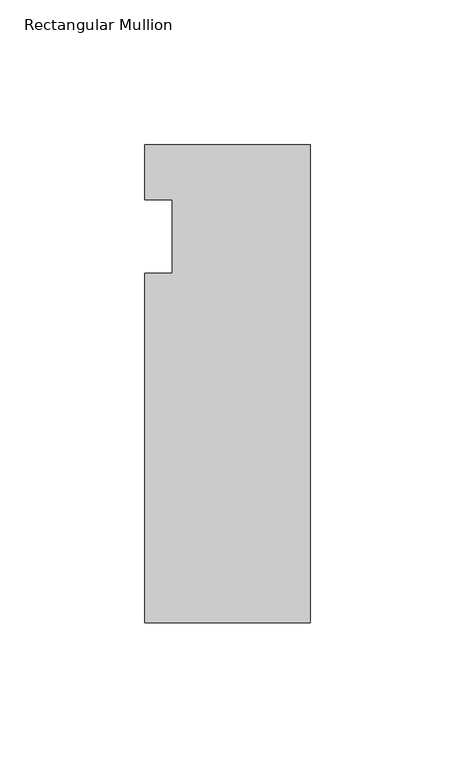
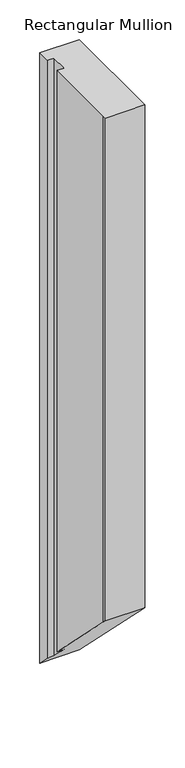
"""IFC4 building model written with IfcOpenShell, lengths in millimetres: member geometry, Rectangular Mullion."""

import ifcopenshell
import ifcopenshell.guid

model = None  # the IFC model being written
_history = None  # IfcOwnerHistory: only IFC2X3 demands one
_inside = {}  # id of a spatial element -> (the spatial element, [elements in it])
_under = {}  # id of a project, library or spatial element -> (it, [spatial elements below it])
_declared = {}  # id of a project -> (the project, [libraries it declares])
_typed = {}  # id of a type object -> (the type object, [elements of that type])
_made_of = {}  # id of a material, layer set ... -> (it, [elements and type objects made of it])


def new_model(schema):
    """Start an empty IFC model of exactly this schema.

    Asked for "IFC4X3", IfcOpenShell would pick the latest addendum, in which some entities
    have other attributes; the version numbers below select the first issue.
    IFC2X3 requires an IfcOwnerHistory on every rooted entity: one is made here for all.
    """
    global model, _history
    if schema == "IFC4X3":
        model = ifcopenshell.file(schema_version=(4, 3, 0, 0))
    else:
        model = ifcopenshell.file(schema=schema)
    _inside.clear()
    _under.clear()
    _declared.clear()
    _typed.clear()
    _made_of.clear()
    _history = None
    if model.schema == "IFC2X3":
        org = make("IfcOrganization", Name="unknown")
        user = make(
            "IfcPersonAndOrganization",
            ThePerson=make("IfcPerson", FamilyName="unknown"),
            TheOrganization=org,
        )
        app = make(
            "IfcApplication",
            ApplicationDeveloper=org,
            Version="unknown",
            ApplicationFullName="unknown",
            ApplicationIdentifier="unknown",
        )
        _history = make(
            "IfcOwnerHistory",
            OwningUser=user,
            OwningApplication=app,
            ChangeAction="ADDED",
            CreationDate=0,
        )
    return model


def make(cls, **values):
    """One entity of the class cls with the attributes given. An attribute that is None is left unset."""
    return model.create_entity(
        cls, **{name: value for name, value in values.items() if value is not None}
    )


def rooted(cls, **values):
    """An entity with a GlobalId (a new one), such as an element, a storey or a relation."""
    return make(cls, GlobalId=ifcopenshell.guid.new(), OwnerHistory=_history, **values)


def si_unit(unit_type, name, prefix=None):
    """IfcSIUnit, for example si_unit("LENGTHUNIT", "METRE", prefix="MILLI")."""
    return make("IfcSIUnit", UnitType=unit_type, Prefix=prefix, Name=name)


def assignment(units):
    """IfcUnitAssignment: the units of a project."""
    return None if units is None else make("IfcUnitAssignment", Units=units)


def point(xyz):
    """IfcCartesianPoint."""
    return None if xyz is None else make("IfcCartesianPoint", Coordinates=xyz)


def direction(xyz):
    """IfcDirection."""
    return None if xyz is None else make("IfcDirection", DirectionRatios=xyz)


def frame(location, z_axis=None, x_axis=None):
    """IfcAxis2Placement3D, a coordinate frame: its origin and axes. An axis left out is left unset."""
    return make(
        "IfcAxis2Placement3D",
        Location=point(location),
        Axis=direction(z_axis),
        RefDirection=direction(x_axis),
    )


def origin():
    """The frame at (0, 0, 0) with its axes left unset."""
    return frame((0.0, 0.0, 0.0))


def place(relative_to, where):
    """IfcLocalPlacement: puts the frame where relative to a parent placement (None: the world)."""
    return make(
        "IfcLocalPlacement", PlacementRelTo=relative_to, RelativePlacement=where
    )


def context(
    kind, dimensions, precision=None, world=None, true_north=None, identifier=None
):
    """IfcGeometricRepresentationContext, for example the 3D "Model" context."""
    return make(
        "IfcGeometricRepresentationContext",
        ContextIdentifier=identifier,
        ContextType=kind,
        CoordinateSpaceDimension=dimensions,
        Precision=precision,
        WorldCoordinateSystem=world,
        TrueNorth=true_north,
    )


def project(units=None, contexts=None):
    """IfcProject with its units and contexts."""
    return rooted(
        "IfcProject",
        Name="project",
        RepresentationContexts=contexts,
        UnitsInContext=assignment(units),
    )


def spatial(cls, under=None, at=None, **own):
    """A site, building, storey or space (cls), placed at a placement, below another one or the project."""
    s = rooted(cls, ObjectPlacement=at, **own)
    if under is not None:
        _under.setdefault(under.id(), (under, []))[1].append(s)
    return s


def faces_of(points, faces, orient=None, outer=None):
    """IfcFace entities. A face is a list of loops; a loop is a list of indices into points, from 0.

    orient and outer hold one flag for each loop. By default every Orientation is true, the
    first loop of a face is its IfcFaceOuterBound and the others are IfcFaceBound.
    """
    made = []
    for i, loops in enumerate(faces):
        bounds = []
        for j, loop in enumerate(loops):
            is_outer = j == 0 if outer is None else outer[i][j]
            bounds.append(
                make(
                    "IfcFaceOuterBound" if is_outer else "IfcFaceBound",
                    Bound=make("IfcPolyLoop", Polygon=[points[k] for k in loop]),
                    Orientation=True if orient is None else orient[i][j],
                )
            )
        made.append(make("IfcFace", Bounds=bounds))
    return made


def faceted_brep(points, faces, orient=None, outer=None, voids=None):
    """IfcFacetedBrep: a solid bounded by flat faces; with voids (closed shells), ...WithVoids."""
    shared = [point(p) for p in points]
    hull = make("IfcClosedShell", CfsFaces=faces_of(shared, faces, orient, outer))
    if voids is None:
        return make("IfcFacetedBrep", Outer=hull)
    return make(
        "IfcFacetedBrepWithVoids",
        Outer=hull,
        Voids=[
            make(cls, CfsFaces=faces_of(shared, fs, o, b)) for cls, fs, o, b in voids
        ],
    )


def shape(context_of_items, identifier, shape_type, items):
    """IfcShapeRepresentation: the items that make up one representation, for example the "Body"."""
    return make(
        "IfcShapeRepresentation",
        ContextOfItems=context_of_items,
        RepresentationIdentifier=identifier,
        RepresentationType=shape_type,
        Items=items,
    )


def source(mapping_origin, context_of_items, identifier, shape_type, items):
    """IfcRepresentationMap: a shape defined once, which mapped items show again and again."""
    return make(
        "IfcRepresentationMap",
        MappingOrigin=mapping_origin,
        MappedRepresentation=shape(context_of_items, identifier, shape_type, items),
    )


def transform(
    local_origin,
    x_axis=None,
    y_axis=None,
    z_axis=None,
    scale=None,
    scale2=None,
    scale3=None,
    uniform=True,
):
    """IfcCartesianTransformationOperator3D, or its non-uniform kind. x_axis, y_axis, z_axis: its Axis1, 2, 3."""
    if uniform:
        return make(
            "IfcCartesianTransformationOperator3D",
            Axis1=direction(x_axis),
            Axis2=direction(y_axis),
            LocalOrigin=point(local_origin),
            Scale=scale,
            Axis3=direction(z_axis),
        )
    return make(
        "IfcCartesianTransformationOperator3DnonUniform",
        Axis1=direction(x_axis),
        Axis2=direction(y_axis),
        LocalOrigin=point(local_origin),
        Scale=scale,
        Axis3=direction(z_axis),
        Scale2=scale2,
        Scale3=scale3,
    )


def mapped(mapping_source, mapping_target):
    """IfcMappedItem: shows the shape of a source again, moved by a transform."""
    return make(
        "IfcMappedItem", MappingSource=mapping_source, MappingTarget=mapping_target
    )


def made_of(thing, what):
    """Note that an element or type object is made of a material, layer set ...; save() writes the relation."""
    if what is not None:
        _made_of.setdefault(what.id(), (what, []))[1].append(thing)
    return thing


def element(
    cls,
    number,
    at=None,
    inside=None,
    cuts=None,
    type_object=None,
    material=None,
    context=None,
    identifier="Body",
    shape_type=None,
    held_by="IfcProductDefinitionShape",
    body=None,
    shapes=None,
    **own,
):
    """One element of the class cls, such as IfcWall. Its Tag is "e" and its number.

    at: its placement. inside: the storey or other place that contains it. cuts: it is an
    opening in that element (IfcRelVoidsElement). A single representation is given by context,
    identifier, shape_type and body (its items); several are given by shapes. held_by: the class
    of the entity that holds the representations. save() writes the other relations.
    """
    e = rooted(cls, Tag="e%d" % number, ObjectPlacement=at, **own)
    if body is not None:
        shapes = [shape(context, identifier, shape_type, body)]
    if shapes is not None:
        e.Representation = make(held_by, Representations=shapes)
    if inside is not None:
        _inside.setdefault(inside.id(), (inside, []))[1].append(e)
    if cuts is not None:
        rooted(
            "IfcRelVoidsElement", RelatingBuildingElement=cuts, RelatedOpeningElement=e
        )
    if type_object is not None:
        _typed.setdefault(type_object.id(), (type_object, []))[1].append(e)
    return made_of(e, material)


def aggregate(whole, parts):
    """IfcRelAggregates: a whole, such as a stair, and the parts it consists of."""
    return rooted("IfcRelAggregates", RelatingObject=whole, RelatedObjects=parts)


def save(model, path):
    """Write the relations noted so far, then the file.

    IfcRelAggregates (storeys below a building ...), IfcRelContainedInSpatialStructure (elements
    in a storey), IfcRelDefinesByType, IfcRelAssociatesMaterial and IfcRelDeclares: one each for
    every whole, place, type object, material and project.
    """
    for whole, parts in _under.values():
        aggregate(whole, parts)
    for where, things in _inside.values():
        rooted(
            "IfcRelContainedInSpatialStructure",
            RelatedElements=things,
            RelatingStructure=where,
        )
    for kind, things in _typed.values():
        rooted("IfcRelDefinesByType", RelatedObjects=things, RelatingType=kind)
    for what, things in _made_of.values():
        rooted("IfcRelAssociatesMaterial", RelatedObjects=things, RelatingMaterial=what)
    for by, libraries in _declared.values():
        rooted("IfcRelDeclares", RelatingContext=by, RelatedDefinitions=libraries)
    model.write(path)


def rectangular_mullion_4aa0e949(model_context):
    return source(origin(), model_context, "Body", "Brep", [
        faceted_brep([(-57.15, -146.05, 0.0), (0.0, -146.05, 0.0), (0.0, 19.05, 0.0), (-57.15, 19.05, 0.0), (-57.15, 0.0, 0.0), (-47.6232296, 0.0, 0.0), (-47.6232296, -25.4, 0.0), (-57.15, -25.4, 0.0), (-57.15, -139.7, 0.0), (-57.15, -146.05, -771.525), (0.0, -146.05, -771.525), (0.0, 19.05, -936.625), (-57.15, 19.05, -936.625), (-57.15, 0.0, -917.575), (-47.6232296, 0.0, -917.575), (-47.6232296, -25.4, -892.175), (-57.15, -25.4, -892.175), (-57.15, -139.7, -777.875)], [[[0, 1, 2, 3, 4, 5, 6, 7, 8]], [[1, 0, 9, 10]], [[2, 1, 10, 11]], [[3, 2, 11, 12]], [[4, 3, 12, 13]], [[5, 4, 13, 14]], [[6, 5, 14, 15]], [[7, 6, 15, 16]], [[8, 7, 16, 17]], [[0, 8, 17, 9]], [[9, 17, 16, 15, 14, 13, 12, 11, 10]]]),
    ])


if __name__ == "__main__":
    model = new_model("IFC4")
    model_context = context("Model", 3, world=origin())
    ifc_project = project(units=[si_unit("LENGTHUNIT", "METRE", prefix="MILLI")], contexts=[model_context])
    site = spatial("IfcSite", under=ifc_project)
    building = spatial("IfcBuilding", under=site)
    placement = place(None, origin())
    rectangular_mullion_shape = rectangular_mullion_4aa0e949(model_context)
    element("IfcMember", 1, ObjectType="Rectangular Mullion", at=placement, inside=building, context=model_context, shape_type="MappedRepresentation", body=[
        mapped(rectangular_mullion_shape, transform((0.0, 0.0, 0.0), x_axis=(1.0, 0.0, 0.0), y_axis=(0.0, 1.0, 0.0), z_axis=(0.0, 0.0, 1.0))),
    ])
    save(model, "model.ifc")
